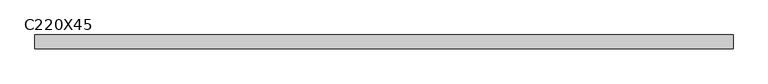
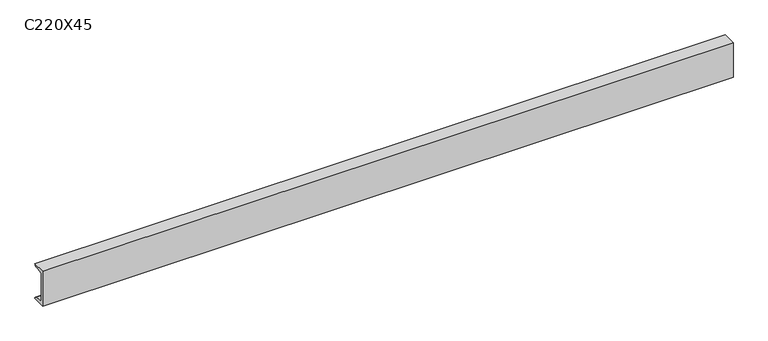
"""IFC4 building model written with IfcOpenShell, lengths in millimetres: beam geometry, C220X45."""

from ifc_helpers import new_model, si_unit, point, frame, frame_2d, origin, place, context, project, spatial, polyline, circle_curve, trimmed, segment, composite_curve, outline, extrude, source, transform, mapped, element, save


def c220x45_2016c766(model_context):
    return source(origin(), model_context, "Body", "SweptSolid", [
        extrude(outline(composite_curve([segment(polyline([(-17.0, 110.0), (64.0, 110.0)]), True, "CONTINUOUS"), segment(trimmed(circle_curve(frame_2d((51.0, 110.0)), 13.0), [point((64.0, 110.0))], [point((51.0, 97.0))], False, "CARTESIAN"), True, "CONTINUOUS"), segment(polyline([(51.0, 97.0), (-4.0, 88.2888558), (-4.0, -88.2888558), (51.0, -97.0)]), True, "CONTINUOUS"), segment(trimmed(circle_curve(frame_2d((51.0, -110.0)), 13.0), [point((51.0, -97.0))], [point((64.0, -110.0))], False, "CARTESIAN"), True, "CONTINUOUS"), segment(polyline([(64.0, -110.0), (-17.0, -110.0), (-17.0, 110.0)]), True, "CONTINUOUS")], self_intersect=False)), frame((-2065.5, 0.0, 0.0), z_axis=(1.0, 0.0, 0.0), x_axis=(0.0, 1.0, 0.0)), (0.0, 0.0, 1.0), 4131.0),
    ])


if __name__ == "__main__":
    model = new_model("IFC4")
    model_context = context("Model", 3, world=origin())
    ifc_project = project(units=[si_unit("LENGTHUNIT", "METRE", prefix="MILLI")], contexts=[model_context])
    site = spatial("IfcSite", under=ifc_project)
    building = spatial("IfcBuilding", under=site)
    placement = place(None, origin())
    c220x45_shape = c220x45_2016c766(model_context)
    element("IfcBeam", 1, ObjectType="C220X45", at=placement, inside=building, context=model_context, shape_type="MappedRepresentation", body=[
        mapped(c220x45_shape, transform((0.0, 0.0, 0.0), x_axis=(1.0, 0.0, 0.0), y_axis=(0.0, 1.0, 0.0), z_axis=(0.0, 0.0, 1.0))),
    ])
    save(model, "model.ifc")
